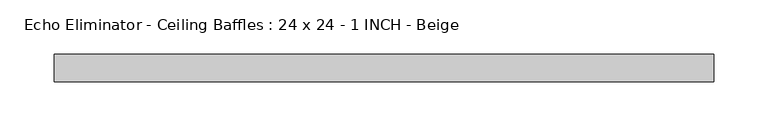
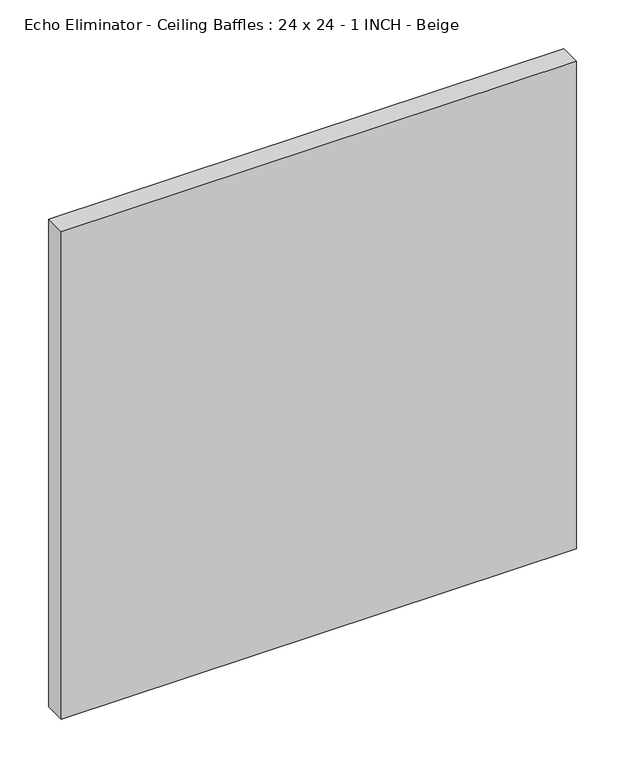
"""IFC4 building model written with IfcOpenShell, lengths in millimetres: proxy geometry, Echo Eliminator - Ceiling Baffles : 24 x 24 - 1 INCH - Beige."""

from ifc_helpers import new_model, si_unit, origin, origin_with_axes, place, context, project, spatial, polyline, outline, extrude, source, transform, mapped, element, save


def echo_eliminator_ceiling_baffles_24_x_24_1_inch_beige_40cbe2db(model_context):
    return source(origin(), model_context, "Body", "SweptSolid", [
        extrude(outline(polyline([(304.8, -25.4), (-304.8, -25.4), (-304.8, 0.0), (304.8, 0.0), (304.8, -25.4)])), origin_with_axes(), (0.0, 0.0, 1.0), 609.6),
    ])


if __name__ == "__main__":
    model = new_model("IFC4")
    model_context = context("Model", 3, world=origin())
    ifc_project = project(units=[si_unit("LENGTHUNIT", "METRE", prefix="MILLI")], contexts=[model_context])
    site = spatial("IfcSite", under=ifc_project)
    building = spatial("IfcBuilding", under=site)
    placement = place(None, origin())
    echo_eliminator_ceiling_baffles_24_x_24_1_inch_beige_shape = echo_eliminator_ceiling_baffles_24_x_24_1_inch_beige_40cbe2db(model_context)
    element("IfcBuildingElementProxy", 1, Name="Echo Eliminator - Ceiling Baffles : 24 x 24 - 1 INCH - Beige", ObjectType="Echo Eliminator - Ceiling Baffles : 24 x 24 - 1 INCH - Beige", at=placement, inside=building, context=model_context, shape_type="MappedRepresentation", body=[
        mapped(echo_eliminator_ceiling_baffles_24_x_24_1_inch_beige_shape, transform((0.0, 0.0, 0.0), x_axis=(1.0, 0.0, 0.0), y_axis=(0.0, 1.0, 0.0), z_axis=(0.0, 0.0, 1.0))),
    ])
    save(model, "model.ifc")
